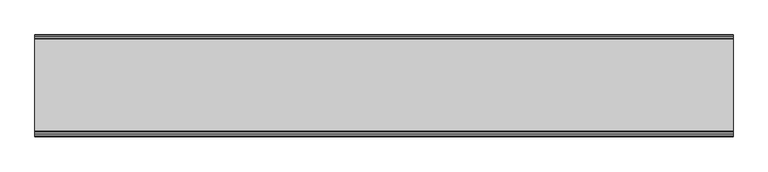
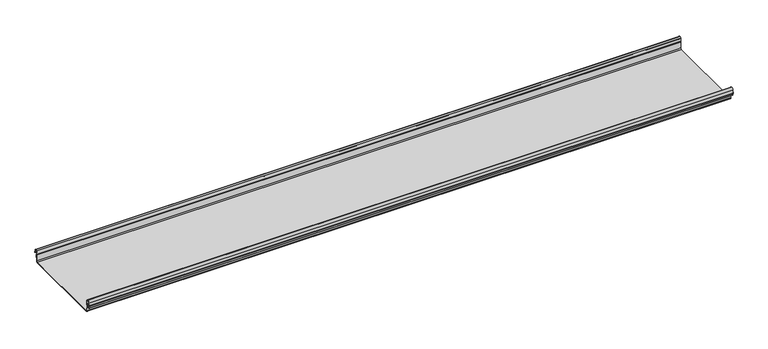
"""IFC4 building model written with IfcOpenShell, lengths in millimetres: beam geometry."""

from ifc_helpers import new_model, si_unit, frame, origin, place, context, project, spatial, polyline, circle_curve, source, transform, mapped, element, save
from ifc_brep_helpers import plane_surface, cylinder_surface, revolved_surface, advanced_brep


def beam_be648515(model_context):
    return source(origin(), model_context, "Body", "AdvancedBrep", [
        advanced_brep(
        [(1217.3142378, 174.5298471, 17.4730576), (1217.3142378, 169.9958217, 21.2486363), (1217.3142378, 165.4890072, 17.6093124), (1217.3142378, 163.0420077, 6.2503755), (1217.3142378, 164.7006671, 3.7959761), (1217.3142378, 165.8698319, 2.0849359), (1217.3142378, 164.3793103, -21.3247551), (1217.3142378, 160.6848586, -24.7896475), (1217.3142378, -159.5640942, -24.7896475), (1217.3142378, -163.2568715, -21.3207217), (1217.3142378, -164.7263748, 2.1632779), (1217.3142378, -164.0984471, 3.0966958), (1217.3142378, -161.8868093, 6.1624874), (1217.3142378, -162.770348, 17.3389905), (1217.3142378, -170.0, 24.0196704), (1217.3142378, -177.229652, 17.3389905), (1217.3142378, -178.1131907, 6.1624874), (1217.3142378, -175.9015529, 3.0966958), (1217.3142378, -175.2736252, 2.1632779), (1217.3142378, -175.6653397, -4.0966758), (1217.3142378, -174.6633838, -4.0966758), (1217.3142378, -174.255975, 2.4140875), (1217.3142378, -175.661391, 4.0675496), (1217.3142378, -177.1158116, 6.08368), (1217.3142378, -176.2261211, 17.3379999), (1217.3142378, -170.0, 23.0196704), (1217.3142378, -163.767144, 17.2589936), (1217.3142378, -162.8795452, 6.0037927), (1217.3142378, -164.338609, 4.0675496), (1217.3142378, -165.744025, 2.4140875), (1217.3142378, -164.2549195, -21.3831743), (1217.3142378, -159.5640942, -25.7896475), (1217.3142378, 160.6846135, -25.7896475), (1217.3142378, 165.3772895, -21.3882975), (1217.3142378, 166.868024, 2.0247376), (1217.3142378, 164.9644432, 4.7613501), (1217.3142378, 164.0277999, 6.0779003), (1217.3142378, 166.4434849, 17.2822335), (1217.3142378, 170.0063307, 20.2496221), (1217.3142378, 173.4803249, 17.6539317), (1217.3142378, 175.5075757, 6.5459412), (1217.3142378, 176.5074356, 6.7299959), (-1217.3142378, 174.5298471, 17.4730576), (-1217.3142378, 176.5074356, 6.7299959), (-1217.3142378, 175.5075757, 6.5459412), (-1217.3142378, 173.4803249, 17.6539317), (-1217.3142378, 170.0063307, 20.2496221), (-1217.3142378, 166.4434849, 17.2822335), (-1217.3142378, 164.0277999, 6.0779003), (-1217.3142378, 164.9644432, 4.7613501), (-1217.3142378, 166.868024, 2.0247376), (-1217.3142378, 165.3772895, -21.3882975), (-1217.3142378, 160.6846135, -25.7896475), (-1217.3142378, -159.5640942, -25.7896475), (-1217.3142378, -164.2549195, -21.3831743), (-1217.3142378, -165.744025, 2.4140875), (-1217.3142378, -164.338609, 4.0675496), (-1217.3142378, -162.8795452, 6.0037927), (-1217.3142378, -163.767144, 17.2589936), (-1217.3142378, -170.0, 23.0196704), (-1217.3142378, -176.2261211, 17.3379999), (-1217.3142378, -177.1158116, 6.08368), (-1217.3142378, -175.661391, 4.0675496), (-1217.3142378, -174.255975, 2.4140875), (-1217.3142378, -174.6633838, -4.0966758), (-1217.3142378, -175.6653397, -4.0966758), (-1217.3142378, -175.2736252, 2.1632779), (-1217.3142378, -175.9015529, 3.0966958), (-1217.3142378, -178.1066021, 6.2458324), (-1217.3142378, -177.229652, 17.3389905), (-1217.3142378, -170.0, 24.0196704), (-1217.3142378, -162.770348, 17.3389905), (-1217.3142378, -161.8868093, 6.1624874), (-1217.3142378, -164.0984471, 3.0966958), (-1217.3142378, -164.7263748, 2.1632779), (-1217.3142378, -163.2568715, -21.3207217), (-1217.3142378, -159.5640942, -24.7896475), (-1217.3142378, 160.6848586, -24.7896475), (-1217.3142378, 164.3793103, -21.3247551), (-1217.3142378, 165.8698319, 2.0849359), (-1217.3142378, 164.7006671, 3.7959761), (-1217.3142378, 163.0420077, 6.2503755), (-1217.3142378, 165.4890072, 17.6093124), (-1217.3142378, 169.9958217, 21.2486363)],
        [
            (0, 1, circle_curve(frame((1217.3142378, 169.9958217, 16.6384317), z_axis=(1.0, 0.0, 0.0), x_axis=(0.0, 1.0, 0.0)), 4.6102046)),
            (1, 2, circle_curve(frame((1217.3142378, 169.9958217, 16.6384317), z_axis=(1.0, 0.0, 0.0), x_axis=(0.0, 0.2105938444020083, 0.9775736456656259)), 4.6102046)),
            (2, 3),
            (3, 4, circle_curve(frame((1217.3142378, 165.4262002, 6.073937), z_axis=(1.0, 0.0, 0.0), x_axis=(0.0, -0.9528378408797884, 0.30347989881958104)), 2.3907121)),
            (4, 5, circle_curve(frame((1217.3142378, 164.1897695, 2.1919074), z_axis=(-1.0, 0.0, 0.0), x_axis=(0.0, 0.06354246328302078, 0.9979791357337717)), 1.6834645)),
            (5, 6),
            (6, 7, circle_curve(frame((1217.3142378, 160.6867875, -21.089648), z_axis=(-1.0, 0.0, 0.0), x_axis=(0.0, 0.9999998641088232, -0.0005213274739325337)), 3.7)),
            (7, 8),
            (8, 9, circle_curve(frame((1217.3142378, -159.5640942, -21.0896475), z_axis=(-1.0, 0.0, 0.0), x_axis=(0.0, 0.062452508687223206, -0.9980479368039755)), 3.7)),
            (9, 10),
            (10, 11, circle_curve(frame((1217.3142378, -163.8044049, 2.2209698), z_axis=(-1.0, 0.0, 0.0), x_axis=(0.0, -0.9479881328261025, -0.31830567073314897)), 0.9237732)),
            (11, 12, circle_curve(frame((1217.3142378, -164.7984694, 5.9323112), z_axis=(1.0, 0.0, 0.0), x_axis=(0.0, 0.07880737243916666, -0.9968898625471294)), 2.9207441)),
            (12, 13),
            (13, 14, circle_curve(frame((1217.3142378, -170.0, 16.7674631), z_axis=(1.0, 0.0, 0.0), x_axis=(0.0, 1.0, 0.0)), 7.2522073)),
            (14, 15, circle_curve(frame((1217.3142378, -170.0, 16.7674631), z_axis=(1.0, 0.0, 0.0), x_axis=(0.0, 0.07880737243912425, 0.9968898625471327)), 7.2522073)),
            (15, 16),
            (16, 17, circle_curve(frame((1217.3142378, -175.2001089, 5.9344165), z_axis=(1.0, 0.0, 0.0), x_axis=(0.0, -0.9707819351134729, 0.2399634023290655)), 2.9231288)),
            (17, 18, circle_curve(frame((1217.3142378, -176.1025472, 2.2835649), z_axis=(-1.0, 0.0, 0.0), x_axis=(0.0, 0.14360843272178178, 0.9896345881441257)), 0.8376041)),
            (18, 19),
            (19, 20, circle_curve(frame((1217.3142378, -175.1643617, -4.0966758), z_axis=(1.0, 0.0, 0.0), x_axis=(0.0, 0.0, -1.0)), 0.5009779)),
            (20, 21),
            (21, 22, circle_curve(frame((1217.3142378, -176.1062911, 2.2653702), z_axis=(1.0, 0.0, 0.0), x_axis=(0.0, 0.9708537722163966, -0.23967259537375799)), 1.856283)),
            (22, 23, circle_curve(frame((1217.3142378, -175.2010412, 5.9323112), z_axis=(-1.0, 0.0, 0.0), x_axis=(0.0, -0.07880737243914376, -0.9968898625471312)), 1.9207441)),
            (23, 24),
            (24, 25, circle_curve(frame((1217.3142378, -170.0770494, 16.8518958), z_axis=(-1.0, 0.0, 0.0), x_axis=(0.0, -0.9999219808421378, 0.012491286112139365)), 6.1682558)),
            (25, 26, circle_curve(frame((1217.3142378, -170.0791743, 16.6817991), z_axis=(-1.0, 0.0, 0.0), x_axis=(0.0, -0.09106361391821856, 0.9958450774192508)), 6.3383658)),
            (26, 27),
            (27, 28, circle_curve(frame((1217.3142378, -164.70299, 5.8599936), z_axis=(-1.0, 0.0, 0.0), x_axis=(0.0, 0.9799562955839813, 0.19921259685401593)), 1.8291061)),
            (28, 29, circle_curve(frame((1217.3142378, -163.9886548, 2.3460727), z_axis=(1.0, 0.0, 0.0), x_axis=(0.0, 0.03871763325448635, 0.9992501913310655)), 1.7566874)),
            (29, 30),
            (30, 31, circle_curve(frame((1217.3142378, -159.5640942, -21.0896475), z_axis=(1.0, 0.0, 0.0), x_axis=(0.0, -1.0, 0.0)), 4.7)),
            (31, 32),
            (32, 33, circle_curve(frame((1217.3142378, 160.6846135, -21.0873301), z_axis=(1.0, 0.0, 0.0), x_axis=(0.0, -0.06400407594283139, -0.997949637137418)), 4.7023174)),
            (33, 34),
            (34, 35, circle_curve(frame((1217.3142378, 164.1939121, 2.1950013), z_axis=(1.0, 0.0, 0.0), x_axis=(0.0, 0.9577619201002135, -0.2875623487279797)), 2.6795268)),
            (35, 36, circle_curve(frame((1217.3142378, 165.0972859, 5.8473161), z_axis=(-1.0, 0.0, 0.0), x_axis=(0.0, -0.210759855052358, -0.9775378680635902)), 1.094061)),
            (36, 37),
            (37, 38, circle_curve(frame((1217.3142378, 170.0063307, 16.627032), z_axis=(-1.0, 0.0, 0.0), x_axis=(0.0, -1.0, 0.0)), 3.6225901)),
            (38, 39, circle_curve(frame((1217.3142378, 170.0063307, 16.627032), z_axis=(-1.0, 0.0, 0.0), x_axis=(0.0, -0.2834711363957483, 0.9589807687490417)), 3.6225901)),
            (39, 40),
            (40, 41, circle_curve(frame((1217.3142378, 176.0075057, 6.6379685), z_axis=(1.0, 0.0, 0.0), x_axis=(0.0, 0.18103878268247353, -0.9834759575937014)), 0.5083296)),
            (41, 0),
            (42, 43),
            (43, 44, circle_curve(frame((-1217.3142378, 176.0075057, 6.6379685), z_axis=(-1.0, 0.0, 0.0), x_axis=(0.0, 0.18103878268247353, -0.9834759575937014)), 0.5083296)),
            (44, 45),
            (45, 46, circle_curve(frame((-1217.3142378, 170.0063307, 16.627032), z_axis=(1.0, 0.0, 0.0), x_axis=(0.0, -0.2834711363957483, 0.9589807687490417)), 3.6225901)),
            (46, 47, circle_curve(frame((-1217.3142378, 170.0063307, 16.627032), z_axis=(1.0, 0.0, 0.0), x_axis=(0.0, -1.0, 0.0)), 3.6225901)),
            (47, 48),
            (48, 49, circle_curve(frame((-1217.3142378, 165.0972859, 5.8473161), z_axis=(1.0, 0.0, 0.0), x_axis=(0.0, -0.210759855052358, -0.9775378680635902)), 1.094061)),
            (49, 50, circle_curve(frame((-1217.3142378, 164.1939121, 2.1950013), z_axis=(-1.0, 0.0, 0.0), x_axis=(0.0, 0.9577619201002135, -0.2875623487279797)), 2.6795268)),
            (50, 51),
            (51, 52, circle_curve(frame((-1217.3142378, 160.6846135, -21.0873301), z_axis=(-1.0, 0.0, 0.0), x_axis=(0.0, -0.06400407594283139, -0.997949637137418)), 4.7023174)),
            (52, 53),
            (53, 54, circle_curve(frame((-1217.3142378, -159.5640942, -21.0896475), z_axis=(-1.0, 0.0, 0.0), x_axis=(0.0, -1.0, 0.0)), 4.7)),
            (54, 55),
            (55, 56, circle_curve(frame((-1217.3142378, -163.9886548, 2.3460727), z_axis=(-1.0, 0.0, 0.0), x_axis=(0.0, 0.03871763325448635, 0.9992501913310655)), 1.7566874)),
            (56, 57, circle_curve(frame((-1217.3142378, -164.70299, 5.8599936), z_axis=(1.0, 0.0, 0.0), x_axis=(0.0, 0.9799562955839813, 0.19921259685401593)), 1.8291061)),
            (57, 58),
            (58, 59, circle_curve(frame((-1217.3142378, -170.0791743, 16.6817991), z_axis=(1.0, 0.0, 0.0), x_axis=(0.0, -0.09106361391821856, 0.9958450774192508)), 6.3383658)),
            (59, 60, circle_curve(frame((-1217.3142378, -170.0770494, 16.8518958), z_axis=(1.0, 0.0, 0.0), x_axis=(0.0, -0.9999219808421378, 0.012491286112139365)), 6.1682558)),
            (60, 61),
            (61, 62, circle_curve(frame((-1217.3142378, -175.2010412, 5.9323112), z_axis=(1.0, 0.0, 0.0), x_axis=(0.0, -0.07880737243914376, -0.9968898625471312)), 1.9207441)),
            (62, 63, circle_curve(frame((-1217.3142378, -176.1062911, 2.2653702), z_axis=(-1.0, 0.0, 0.0), x_axis=(0.0, 0.9708537722163966, -0.23967259537375799)), 1.856283)),
            (63, 64),
            (64, 65, circle_curve(frame((-1217.3142378, -175.1643617, -4.0966758), z_axis=(-1.0, 0.0, 0.0), x_axis=(0.0, 0.0, -1.0)), 0.5009779)),
            (65, 66),
            (66, 67, circle_curve(frame((-1217.3142378, -176.1025472, 2.2835649), z_axis=(1.0, 0.0, 0.0), x_axis=(0.0, 0.14360843272178178, 0.9896345881441257)), 0.8376041)),
            (67, 68, circle_curve(frame((-1217.3142378, -175.2001089, 5.9344165), z_axis=(-1.0, 0.0, 0.0), x_axis=(0.0, -0.9707819351134729, 0.2399634023290655)), 2.9231288)),
            (68, 69),
            (69, 70, circle_curve(frame((-1217.3142378, -170.0, 16.7674631), z_axis=(-1.0, 0.0, 0.0), x_axis=(0.0, 0.07880737243912425, 0.9968898625471327)), 7.2522073)),
            (70, 71, circle_curve(frame((-1217.3142378, -170.0, 16.7674631), z_axis=(-1.0, 0.0, 0.0), x_axis=(0.0, 1.0, 0.0)), 7.2522073)),
            (71, 72),
            (72, 73, circle_curve(frame((-1217.3142378, -164.7984694, 5.9323112), z_axis=(-1.0, 0.0, 0.0), x_axis=(0.0, 0.07880737243916666, -0.9968898625471294)), 2.9207441)),
            (73, 74, circle_curve(frame((-1217.3142378, -163.8044049, 2.2209698), z_axis=(1.0, 0.0, 0.0), x_axis=(0.0, -0.9479881328261025, -0.31830567073314897)), 0.9237732)),
            (74, 75),
            (75, 76, circle_curve(frame((-1217.3142378, -159.5640942, -21.0896475), z_axis=(1.0, 0.0, 0.0), x_axis=(0.0, 0.062452508687223206, -0.9980479368039755)), 3.7)),
            (76, 77),
            (77, 78, circle_curve(frame((-1217.3142378, 160.6867875, -21.089648), z_axis=(1.0, 0.0, 0.0), x_axis=(0.0, 0.9999998641088232, -0.0005213274739325337)), 3.7)),
            (78, 79),
            (79, 80, circle_curve(frame((-1217.3142378, 164.1897695, 2.1919074), z_axis=(1.0, 0.0, 0.0), x_axis=(0.0, 0.06354246328302078, 0.9979791357337717)), 1.6834645)),
            (80, 81, circle_curve(frame((-1217.3142378, 165.4262002, 6.073937), z_axis=(-1.0, 0.0, 0.0), x_axis=(0.0, -0.9528378408797884, 0.30347989881958104)), 2.3907121)),
            (81, 82),
            (82, 83, circle_curve(frame((-1217.3142378, 169.9958217, 16.6384317), z_axis=(-1.0, 0.0, 0.0), x_axis=(0.0, 0.2105938444020083, 0.9775736456656259)), 4.6102046)),
            (83, 42, circle_curve(frame((-1217.3142378, 169.9958217, 16.6384317), z_axis=(-1.0, 0.0, 0.0), x_axis=(0.0, 1.0, 0.0)), 4.6102046)),
            (42, 0),
            (41, 43),
            (40, 44),
            (39, 45),
            (38, 46),
            (37, 47),
            (36, 48),
            (35, 49),
            (34, 50),
            (33, 51),
            (32, 52),
            (31, 53),
            (30, 54),
            (29, 55),
            (28, 56),
            (27, 57),
            (26, 58),
            (25, 59),
            (24, 60),
            (23, 61),
            (22, 62),
            (21, 63),
            (20, 64),
            (19, 65),
            (18, 66),
            (17, 67),
            (16, 68),
            (15, 69),
            (14, 70),
            (13, 71),
            (12, 72),
            (11, 73),
            (10, 74),
            (9, 75),
            (8, 76),
            (7, 77),
            (6, 78),
            (5, 79),
            (4, 80),
            (3, 81),
            (2, 82),
            (1, 83),
        ],
        [
            plane_surface(frame((1217.3142378, 176.5074356, 6.7299959), z_axis=(1.0000000000000002, 0.0, 0.0), x_axis=(0.0, -0.18103878268248824, 0.9834759575936989))),
            plane_surface(frame((-1217.3142378, 176.5074356, 6.7299959), z_axis=(-1.0000000000000002, 0.0, 0.0), x_axis=(0.0, 0.18103878268248824, -0.9834759575936989))),
            plane_surface(frame((1217.3142378, 175.5186413, 12.1015267), z_axis=(0.0, 0.9834759575937931, 0.18103878268197598), x_axis=(0.0, 0.18103878268197598, -0.9834759575937931))),
            cylinder_surface(frame((1217.3142378, 176.0075057, 6.6379685), z_axis=(-1.0, 0.0, 0.0), x_axis=(0.0, 0.18103878268247353, -0.9834759575937014)), 0.5083296),
            plane_surface(frame((1217.3142378, 174.4939503, 12.0999365), z_axis=(0.0, -0.9837509798366516, -0.17953832368168063), x_axis=(0.0, -0.17953832368168063, 0.9837509798366516))),
            revolved_surface(polyline([(-1217.3142378, 168.979430967657, 20.101026238960667), (1217.3142378, 168.979430967657, 20.101026238960667)]), (1217.3142378, 170.0063307, 16.627032), (-1.0, 0.0, 0.0)),
            revolved_surface(polyline([(-1217.3142378, 166.3837406, 16.627032), (1217.3142378, 166.3837406, 16.627032)]), (1217.3142378, 170.0063307, 16.627032), (-1.0, 0.0, 0.0)),
            plane_surface(frame((1217.3142378, 165.2356424, 11.6800669), z_axis=(0.0, 0.9775378680634891, -0.2107598550528272), x_axis=(0.0, -0.2107598550528272, -0.9775378680634891))),
            revolved_surface(polyline([(-1217.3142378, 164.86670176222157, 4.77783004252848), (1217.3142378, 164.86670176222157, 4.77783004252848)]), (1217.3142378, 165.0972859, 5.8473161), (-1.0, 0.0, 0.0)),
            cylinder_surface(frame((1217.3142378, 164.1939121, 2.1950013), z_axis=(-1.0, 0.0, 0.0), x_axis=(0.0, 0.9577619201002135, -0.2875623487279797)), 2.6795268),
            plane_surface(frame((1217.3142378, 166.1226567, -9.68178), z_axis=(0.0, 0.9979791357337514, -0.06354246328334037), x_axis=(0.0, -0.06354246328334037, -0.9979791357337514))),
            cylinder_surface(frame((1217.3142378, 160.6846135, -21.0873301), z_axis=(-1.0, 0.0, 0.0), x_axis=(0.0, -0.06400407594283139, -0.997949637137418)), 4.7023174),
            plane_surface(frame((1217.3142378, 0.5602597, -25.7896475), z_axis=(0.0, 0.0, -1.0), x_axis=(0.0, -1.0, 0.0))),
            cylinder_surface(frame((1217.3142378, -159.5640942, -21.0896475), z_axis=(-1.0, 0.0, 0.0), x_axis=(0.0, -1.0, 0.0)), 4.7),
            plane_surface(frame((1217.3142378, -164.9994722, -9.4845434), z_axis=(0.0, -0.99804793680396, -0.06245250868747398), x_axis=(0.0, -0.06245250868747398, 0.99804793680396))),
            cylinder_surface(frame((1217.3142378, -163.9886548, 2.3460727), z_axis=(-1.0, 0.0, 0.0), x_axis=(0.0, 0.03871763325448635, 0.9992501913310655)), 1.7566874),
            revolved_surface(polyline([(-1217.3142378, -162.91054596201394, 6.224374576102521), (1217.3142378, -162.91054596201394, 6.224374576102521)]), (1217.3142378, -164.70299, 5.8599936), (-1.0, 0.0, 0.0)),
            plane_surface(frame((1217.3142378, -163.3233446, 11.6313931), z_axis=(0.0, -0.9969048840807634, -0.07861712342689589), x_axis=(0.0, -0.07861712342689589, 0.9969048840807634))),
            revolved_surface(polyline([(-1217.3142378, -170.65636879608365, 22.99382948081253), (1217.3142378, -170.65636879608365, 22.99382948081253)]), (1217.3142378, -170.0791743, 16.6817991), (-1.0, 0.0, 0.0)),
            revolved_surface(polyline([(-1217.3142378, -176.244823957877, 16.928945248010663), (1217.3142378, -176.244823957877, 16.928945248010663)]), (1217.3142378, -170.0770494, 16.8518958), (-1.0, 0.0, 0.0)),
            plane_surface(frame((1217.3142378, -176.6709664, 11.71084), z_axis=(0.0, 0.9968898625470921, -0.07880737243963815), x_axis=(0.0, -0.07880737243963815, -0.9968898625470921))),
            revolved_surface(polyline([(-1217.3142378, -175.35240999564897, 4.017540878162787), (1217.3142378, -175.35240999564897, 4.017540878162787)]), (1217.3142378, -175.2010412, 5.9323112), (-1.0, 0.0, 0.0)),
            cylinder_surface(frame((1217.3142378, -176.1062911, 2.2653702), z_axis=(-1.0, 0.0, 0.0), x_axis=(0.0, 0.9708537722163966, -0.23967259537375799)), 1.856283),
            plane_surface(frame((1217.3142378, -174.4596794, -0.8412941), z_axis=(0.0, 0.9980479368039222, -0.06245250868807452), x_axis=(0.0, -0.06245250868807452, -0.9980479368039222))),
            cylinder_surface(frame((1217.3142378, -175.1643617, -4.0966758), z_axis=(-1.0, 0.0, 0.0), x_axis=(0.0, 0.0, -1.0)), 0.5009779),
            plane_surface(frame((1217.3142378, -175.4694824, -0.9666989), z_axis=(0.0, -0.9980479368040358, 0.06245250868626084), x_axis=(0.0, 0.06245250868626084, 0.9980479368040358))),
            revolved_surface(polyline([(-1217.3142378, -175.98226018795768, 3.112486888531331), (1217.3142378, -175.98226018795768, 3.112486888531331)]), (1217.3142378, -176.1025472, 2.2835649), (-1.0, 0.0, 0.0)),
            cylinder_surface(frame((1217.3142378, -175.2001089, 5.9344165), z_axis=(-1.0, 0.0, 0.0), x_axis=(0.0, -0.9707819351134729, 0.2399634023290655)), 2.9231288),
            plane_surface(frame((1217.3142378, -177.6714214, 11.7507389), z_axis=(0.0, -0.9968898625471735, 0.07880737243860966), x_axis=(0.0, 0.07880737243860966, 0.9968898625471735))),
            cylinder_surface(frame((1217.3142378, -170.0, 16.7674631), z_axis=(-1.0, 0.0, 0.0), x_axis=(0.0, 0.07880737243912425, 0.9968898625471327)), 7.2522073),
            cylinder_surface(frame((1217.3142378, -170.0, 16.7674631), z_axis=(-1.0, 0.0, 0.0), x_axis=(0.0, 1.0, 0.0)), 7.2522073),
            plane_surface(frame((1217.3142378, -162.3285786, 11.7507389), z_axis=(0.0, 0.9968898625471712, 0.07880737243863836), x_axis=(0.0, 0.07880737243863836, -0.9968898625471712))),
            cylinder_surface(frame((1217.3142378, -164.7984694, 5.9323112), z_axis=(-1.0, 0.0, 0.0), x_axis=(0.0, 0.07880737243916666, -0.9968898625471294)), 2.9207441),
            revolved_surface(polyline([(-1217.3142378, -164.6801309310228, 1.9269275519686928), (1217.3142378, -164.6801309310228, 1.9269275519686928)]), (1217.3142378, -163.8044049, 2.2209698), (-1.0, 0.0, 0.0)),
            plane_surface(frame((1217.3142378, -163.9916232, -9.5787219), z_axis=(0.0, 0.9980479368039906, 0.0624525086869835), x_axis=(0.0, 0.0624525086869835, -0.9980479368039906))),
            revolved_surface(polyline([(-1217.3142378, -159.33301991785729, -24.78242486617471), (1217.3142378, -159.33301991785729, -24.78242486617471)]), (1217.3142378, -159.5640942, -21.0896475), (-1.0, 0.0, 0.0)),
            plane_surface(frame((1217.3142378, 0.5603822, -24.7896475), z_axis=(0.0, 0.0, 1.0), x_axis=(0.0, 1.0, 0.0))),
            revolved_surface(polyline([(-1217.3142378, 164.38678699720265, -21.09157691165355), (1217.3142378, 164.38678699720265, -21.09157691165355)]), (1217.3142378, 160.6867875, -21.089648), (-1.0, 0.0, 0.0)),
            plane_surface(frame((1217.3142378, 165.1245711, -9.6199096), z_axis=(0.0, -0.9979791357337828, 0.06354246328284598), x_axis=(0.0, 0.06354246328284598, 0.9979791357337828))),
            revolved_surface(polyline([(-1217.3142378, 164.29674098117954, 3.871969846748486), (1217.3142378, 164.29674098117954, 3.871969846748486)]), (1217.3142378, 164.1897695, 2.1919074), (-1.0, 0.0, 0.0)),
            cylinder_surface(frame((1217.3142378, 165.4262002, 6.073937), z_axis=(-1.0, 0.0, 0.0), x_axis=(0.0, -0.9528378408797884, 0.30347989881958104)), 2.3907121),
            plane_surface(frame((1217.3142378, 164.2655075, 11.929844), z_axis=(0.0, -0.9775736456657296, 0.21059384440152715), x_axis=(0.0, 0.21059384440152715, 0.9775736456657296))),
            cylinder_surface(frame((1217.3142378, 169.9958217, 16.6384317), z_axis=(-1.0, 0.0, 0.0), x_axis=(0.0, 0.2105938444020083, 0.9775736456656259)), 4.6102046),
            cylinder_surface(frame((1217.3142378, 169.9958217, 16.6384317), z_axis=(-1.0, 0.0, 0.0), x_axis=(0.0, 1.0, 0.0)), 4.6102046),
        ],
        [
            (0, [[1, 2, 3, 4, 5, 6, 7, 8, 9, 10, 11, 12, 13, 14, 15, 16, 17, 18, 19, 20, 21, 22, 23, 24, 25, 26, 27, 28, 29, 30, 31, 32, 33, 34, 35, 36, 37, 38, 39, 40, 41, 42]]),
            (1, [[43, 44, 45, 46, 47, 48, 49, 50, 51, 52, 53, 54, 55, 56, 57, 58, 59, 60, 61, 62, 63, 64, 65, 66, 67, 68, 69, 70, 71, 72, 73, 74, 75, 76, 77, 78, 79, 80, 81, 82, 83, 84]]),
            (2, [[-43, 85, -42, 86]]),
            (3, [[-44, -86, -41, 87]]),
            (4, [[-45, -87, -40, 88]]),
            (5, [[-46, -88, -39, 89]]),
            (6, [[-47, -89, -38, 90]]),
            (7, [[-48, -90, -37, 91]]),
            (8, [[-49, -91, -36, 92]]),
            (9, [[-50, -92, -35, 93]]),
            (10, [[-51, -93, -34, 94]]),
            (11, [[-52, -94, -33, 95]]),
            (12, [[-53, -95, -32, 96]]),
            (13, [[-54, -96, -31, 97]]),
            (14, [[-55, -97, -30, 98]]),
            (15, [[-56, -98, -29, 99]]),
            (16, [[-57, -99, -28, 100]]),
            (17, [[-58, -100, -27, 101]]),
            (18, [[-59, -101, -26, 102]]),
            (19, [[-60, -102, -25, 103]]),
            (20, [[-61, -103, -24, 104]]),
            (21, [[-62, -104, -23, 105]]),
            (22, [[-63, -105, -22, 106]]),
            (23, [[-64, -106, -21, 107]]),
            (24, [[-65, -107, -20, 108]]),
            (25, [[-66, -108, -19, 109]]),
            (26, [[-67, -109, -18, 110]]),
            (27, [[-68, -110, -17, 111]]),
            (28, [[-69, -111, -16, 112]]),
            (29, [[-70, -112, -15, 113]]),
            (30, [[-71, -113, -14, 114]]),
            (31, [[-72, -114, -13, 115]]),
            (32, [[-73, -115, -12, 116]]),
            (33, [[-74, -116, -11, 117]]),
            (34, [[-75, -117, -10, 118]]),
            (35, [[-76, -118, -9, 119]]),
            (36, [[-77, -119, -8, 120]]),
            (37, [[-78, -120, -7, 121]]),
            (38, [[-79, -121, -6, 122]]),
            (39, [[-80, -122, -5, 123]]),
            (40, [[-81, -123, -4, 124]]),
            (41, [[-82, -124, -3, 125]]),
            (42, [[-83, -125, -2, 126]]),
            (43, [[-84, -126, -1, -85]]),
        ],
    ),
    ])


if __name__ == "__main__":
    model = new_model("IFC4")
    model_context = context("Model", 3, world=origin())
    ifc_project = project(units=[si_unit("LENGTHUNIT", "METRE", prefix="MILLI")], contexts=[model_context])
    site = spatial("IfcSite", under=ifc_project)
    building = spatial("IfcBuilding", under=site)
    placement = place(None, origin())
    beam_shape = beam_be648515(model_context)
    element("IfcBeam", 1, at=placement, inside=building, context=model_context, shape_type="MappedRepresentation", body=[
        mapped(beam_shape, transform((0.0, 0.0, 0.0), x_axis=(1.0, 0.0, 0.0), y_axis=(0.0, 1.0, 0.0), z_axis=(0.0, 0.0, 1.0))),
    ])
    save(model, "model.ifc")
